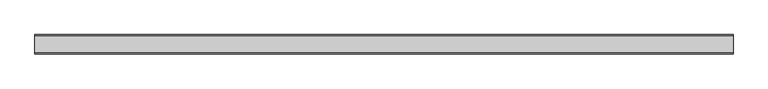
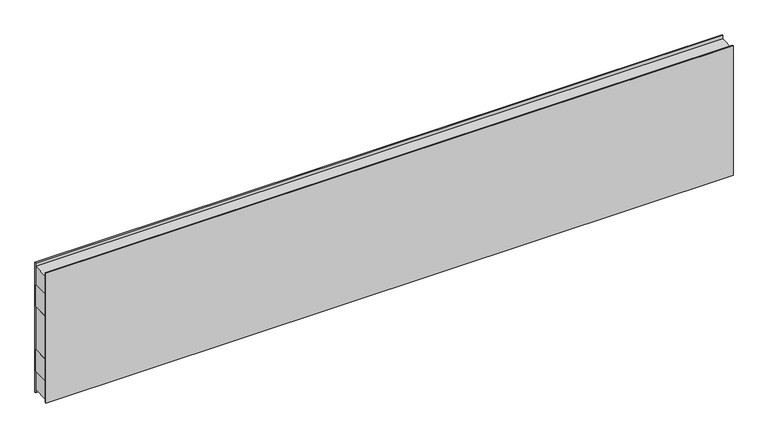
"""IFC4 building model written with IfcOpenShell, lengths in millimetres: plate geometry."""

from ifc_helpers import new_model, si_unit, frame, origin, origin_with_axes, place, context, project, spatial, polyline, outline, extrude, source, transform, mapped, element, save


def plate_02efbb02(model_context):
    return source(origin(), model_context, "Body", "SweptSolid", [
        extrude(outline(polyline([(-1504.8858409, -37.5), (-1504.8858409, 37.5), (1504.8858409, 37.5), (1504.8858409, -37.5), (-1504.8858409, -37.5)])), frame((0.0, 0.0, 400.0), z_axis=(0.0, 0.0, 1.0), x_axis=(1.0, 0.0, 0.0)), (0.0, 0.0, 1.0), 100.0),
        extrude(outline(polyline([(-1504.8858409, -37.5), (-1504.8858409, 37.5), (1504.8858409, 37.5), (1504.8858409, -37.5), (-1504.8858409, -37.5)])), frame((0.0, 0.0, 100.0), z_axis=(0.0, 0.0, 1.0), x_axis=(1.0, 0.0, 0.0)), (0.0, 0.0, 1.0), 100.0),
        extrude(outline(polyline([(-1504.8858409, -42.0), (-1504.8858409, -37.5), (1504.8858409, -37.5), (1504.8858409, -42.0), (-1504.8858409, -42.0)])), origin_with_axes(), (0.0, 0.0, 1.0), 600.0),
        extrude(outline(polyline([(-1504.8858409, 37.5), (-1504.8858409, 42.0), (1504.8858409, 42.0), (1504.8858409, 37.5), (-1504.8858409, 37.5)])), origin_with_axes(), (0.0, 0.0, 1.0), 600.0),
        extrude(outline(polyline([(1504.8858409, 37.5), (1504.8858409, -37.5), (-1504.8858409, -37.5), (-1504.8858409, 37.5), (1504.8858409, 37.5)])), frame((0.0, 0.0, 500.0), z_axis=(0.0, 0.0, 1.0), x_axis=(1.0, 0.0, 0.0)), (0.0, 0.0, 1.0), 85.0),
        extrude(outline(polyline([(1504.8858409, 37.5), (1504.8858409, -37.5), (-1504.8858409, -37.5), (-1504.8858409, 37.5), (1504.8858409, 37.5)])), frame((0.0, 0.0, 15.0), z_axis=(0.0, 0.0, 1.0), x_axis=(1.0, 0.0, 0.0)), (0.0, 0.0, 1.0), 85.0),
        extrude(outline(polyline([(1504.8858409, 37.5), (1504.8858409, -37.5), (-1504.8858409, -37.5), (-1504.8858409, 37.5), (1504.8858409, 37.5)])), frame((0.0, 0.0, 200.0), z_axis=(0.0, 0.0, 1.0), x_axis=(1.0, 0.0, 0.0)), (0.0, 0.0, 1.0), 200.0),
    ])


if __name__ == "__main__":
    model = new_model("IFC4")
    model_context = context("Model", 3, world=origin())
    ifc_project = project(units=[si_unit("LENGTHUNIT", "METRE", prefix="MILLI")], contexts=[model_context])
    site = spatial("IfcSite", under=ifc_project)
    building = spatial("IfcBuilding", under=site)
    placement = place(None, origin())
    plate_shape = plate_02efbb02(model_context)
    element("IfcPlate", 1, at=placement, inside=building, context=model_context, shape_type="MappedRepresentation", body=[
        mapped(plate_shape, transform((0.0, 0.0, 0.0), x_axis=(1.0, 0.0, 0.0), y_axis=(0.0, 1.0, 0.0), z_axis=(0.0, 0.0, 1.0))),
    ])
    save(model, "model.ifc")
